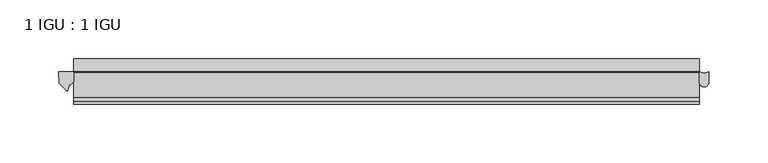
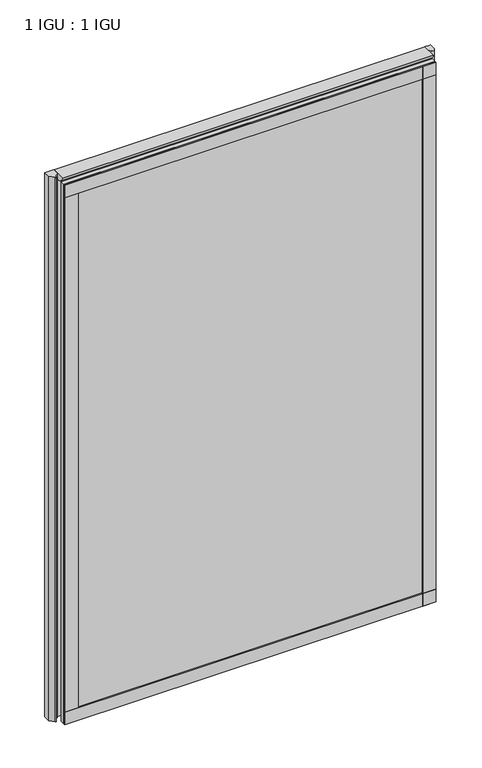
"""IFC4 building model written with IfcOpenShell, lengths in millimetres: plate geometry, 1 IGU : 1 IGU."""

import ifcopenshell
import ifcopenshell.guid

model = None  # the IFC model being written
_history = None  # IfcOwnerHistory: only IFC2X3 demands one
_inside = {}  # id of a spatial element -> (the spatial element, [elements in it])
_under = {}  # id of a project, library or spatial element -> (it, [spatial elements below it])
_declared = {}  # id of a project -> (the project, [libraries it declares])
_typed = {}  # id of a type object -> (the type object, [elements of that type])
_made_of = {}  # id of a material, layer set ... -> (it, [elements and type objects made of it])


def new_model(schema):
    """Start an empty IFC model of exactly this schema.

    Asked for "IFC4X3", IfcOpenShell would pick the latest addendum, in which some entities
    have other attributes; the version numbers below select the first issue.
    IFC2X3 requires an IfcOwnerHistory on every rooted entity: one is made here for all.
    """
    global model, _history
    if schema == "IFC4X3":
        model = ifcopenshell.file(schema_version=(4, 3, 0, 0))
    else:
        model = ifcopenshell.file(schema=schema)
    _inside.clear()
    _under.clear()
    _declared.clear()
    _typed.clear()
    _made_of.clear()
    _history = None
    if model.schema == "IFC2X3":
        org = make("IfcOrganization", Name="unknown")
        user = make(
            "IfcPersonAndOrganization",
            ThePerson=make("IfcPerson", FamilyName="unknown"),
            TheOrganization=org,
        )
        app = make(
            "IfcApplication",
            ApplicationDeveloper=org,
            Version="unknown",
            ApplicationFullName="unknown",
            ApplicationIdentifier="unknown",
        )
        _history = make(
            "IfcOwnerHistory",
            OwningUser=user,
            OwningApplication=app,
            ChangeAction="ADDED",
            CreationDate=0,
        )
    return model


def make(cls, **values):
    """One entity of the class cls with the attributes given. An attribute that is None is left unset."""
    return model.create_entity(
        cls, **{name: value for name, value in values.items() if value is not None}
    )


def rooted(cls, **values):
    """An entity with a GlobalId (a new one), such as an element, a storey or a relation."""
    return make(cls, GlobalId=ifcopenshell.guid.new(), OwnerHistory=_history, **values)


def si_unit(unit_type, name, prefix=None):
    """IfcSIUnit, for example si_unit("LENGTHUNIT", "METRE", prefix="MILLI")."""
    return make("IfcSIUnit", UnitType=unit_type, Prefix=prefix, Name=name)


def assignment(units):
    """IfcUnitAssignment: the units of a project."""
    return None if units is None else make("IfcUnitAssignment", Units=units)


def point(xyz):
    """IfcCartesianPoint."""
    return None if xyz is None else make("IfcCartesianPoint", Coordinates=xyz)


def direction(xyz):
    """IfcDirection."""
    return None if xyz is None else make("IfcDirection", DirectionRatios=xyz)


def frame(location, z_axis=None, x_axis=None):
    """IfcAxis2Placement3D, a coordinate frame: its origin and axes. An axis left out is left unset."""
    return make(
        "IfcAxis2Placement3D",
        Location=point(location),
        Axis=direction(z_axis),
        RefDirection=direction(x_axis),
    )


def frame_2d(location, x_axis=None):
    """IfcAxis2Placement2D, a coordinate frame in the plane: its origin and x axis."""
    return make(
        "IfcAxis2Placement2D", Location=point(location), RefDirection=direction(x_axis)
    )


def origin():
    """The frame at (0, 0, 0) with its axes left unset."""
    return frame((0.0, 0.0, 0.0))


def place(relative_to, where):
    """IfcLocalPlacement: puts the frame where relative to a parent placement (None: the world)."""
    return make(
        "IfcLocalPlacement", PlacementRelTo=relative_to, RelativePlacement=where
    )


def context(
    kind, dimensions, precision=None, world=None, true_north=None, identifier=None
):
    """IfcGeometricRepresentationContext, for example the 3D "Model" context."""
    return make(
        "IfcGeometricRepresentationContext",
        ContextIdentifier=identifier,
        ContextType=kind,
        CoordinateSpaceDimension=dimensions,
        Precision=precision,
        WorldCoordinateSystem=world,
        TrueNorth=true_north,
    )


def project(units=None, contexts=None):
    """IfcProject with its units and contexts."""
    return rooted(
        "IfcProject",
        Name="project",
        RepresentationContexts=contexts,
        UnitsInContext=assignment(units),
    )


def spatial(cls, under=None, at=None, **own):
    """A site, building, storey or space (cls), placed at a placement, below another one or the project."""
    s = rooted(cls, ObjectPlacement=at, **own)
    if under is not None:
        _under.setdefault(under.id(), (under, []))[1].append(s)
    return s


def polyline(points):
    """IfcPolyline through the points."""
    return make("IfcPolyline", Points=[point(p) for p in points])


def circle_curve(where, radius):
    """IfcCircle in the frame where."""
    return make("IfcCircle", Position=where, Radius=radius)


def ellipse_curve(where, semi_axis1, semi_axis2):
    """IfcEllipse in the frame where."""
    return make(
        "IfcEllipse", Position=where, SemiAxis1=semi_axis1, SemiAxis2=semi_axis2
    )


def trimmed(basis, trim1, trim2, sense, master):
    """IfcTrimmedCurve: the piece of a basis curve between two trims."""
    return make(
        "IfcTrimmedCurve",
        BasisCurve=basis,
        Trim1=trim1,
        Trim2=trim2,
        SenseAgreement=sense,
        MasterRepresentation=master,
    )


def segment(curve, same_sense, transition):
    """IfcCompositeCurveSegment."""
    return make(
        "IfcCompositeCurveSegment",
        Transition=transition,
        SameSense=same_sense,
        ParentCurve=curve,
    )


def composite_curve(segments, self_intersect=None):
    """IfcCompositeCurve: segments joined end to end."""
    return make("IfcCompositeCurve", Segments=segments, SelfIntersect=self_intersect)


def outline(outer, holes=None, kind="AREA"):
    """IfcArbitraryClosedProfileDef: a profile drawn as a closed curve; with holes, ...WithVoids."""
    if holes is None:
        return make("IfcArbitraryClosedProfileDef", ProfileType=kind, OuterCurve=outer)
    return make(
        "IfcArbitraryProfileDefWithVoids",
        ProfileType=kind,
        OuterCurve=outer,
        InnerCurves=holes,
    )


def extrude(swept, where, along, depth):
    """IfcExtrudedAreaSolid: the profile swept, set in the frame where, extruded along a direction by depth."""
    return make(
        "IfcExtrudedAreaSolid",
        SweptArea=swept,
        Position=where,
        ExtrudedDirection=direction(along),
        Depth=depth,
    )


def shape(context_of_items, identifier, shape_type, items):
    """IfcShapeRepresentation: the items that make up one representation, for example the "Body"."""
    return make(
        "IfcShapeRepresentation",
        ContextOfItems=context_of_items,
        RepresentationIdentifier=identifier,
        RepresentationType=shape_type,
        Items=items,
    )


def source(mapping_origin, context_of_items, identifier, shape_type, items):
    """IfcRepresentationMap: a shape defined once, which mapped items show again and again."""
    return make(
        "IfcRepresentationMap",
        MappingOrigin=mapping_origin,
        MappedRepresentation=shape(context_of_items, identifier, shape_type, items),
    )


def transform(
    local_origin,
    x_axis=None,
    y_axis=None,
    z_axis=None,
    scale=None,
    scale2=None,
    scale3=None,
    uniform=True,
):
    """IfcCartesianTransformationOperator3D, or its non-uniform kind. x_axis, y_axis, z_axis: its Axis1, 2, 3."""
    if uniform:
        return make(
            "IfcCartesianTransformationOperator3D",
            Axis1=direction(x_axis),
            Axis2=direction(y_axis),
            LocalOrigin=point(local_origin),
            Scale=scale,
            Axis3=direction(z_axis),
        )
    return make(
        "IfcCartesianTransformationOperator3DnonUniform",
        Axis1=direction(x_axis),
        Axis2=direction(y_axis),
        LocalOrigin=point(local_origin),
        Scale=scale,
        Axis3=direction(z_axis),
        Scale2=scale2,
        Scale3=scale3,
    )


def mapped(mapping_source, mapping_target):
    """IfcMappedItem: shows the shape of a source again, moved by a transform."""
    return make(
        "IfcMappedItem", MappingSource=mapping_source, MappingTarget=mapping_target
    )


def made_of(thing, what):
    """Note that an element or type object is made of a material, layer set ...; save() writes the relation."""
    if what is not None:
        _made_of.setdefault(what.id(), (what, []))[1].append(thing)
    return thing


def element(
    cls,
    number,
    at=None,
    inside=None,
    cuts=None,
    type_object=None,
    material=None,
    context=None,
    identifier="Body",
    shape_type=None,
    held_by="IfcProductDefinitionShape",
    body=None,
    shapes=None,
    **own,
):
    """One element of the class cls, such as IfcWall. Its Tag is "e" and its number.

    at: its placement. inside: the storey or other place that contains it. cuts: it is an
    opening in that element (IfcRelVoidsElement). A single representation is given by context,
    identifier, shape_type and body (its items); several are given by shapes. held_by: the class
    of the entity that holds the representations. save() writes the other relations.
    """
    e = rooted(cls, Tag="e%d" % number, ObjectPlacement=at, **own)
    if body is not None:
        shapes = [shape(context, identifier, shape_type, body)]
    if shapes is not None:
        e.Representation = make(held_by, Representations=shapes)
    if inside is not None:
        _inside.setdefault(inside.id(), (inside, []))[1].append(e)
    if cuts is not None:
        rooted(
            "IfcRelVoidsElement", RelatingBuildingElement=cuts, RelatedOpeningElement=e
        )
    if type_object is not None:
        _typed.setdefault(type_object.id(), (type_object, []))[1].append(e)
    return made_of(e, material)


def aggregate(whole, parts):
    """IfcRelAggregates: a whole, such as a stair, and the parts it consists of."""
    return rooted("IfcRelAggregates", RelatingObject=whole, RelatedObjects=parts)


def save(model, path):
    """Write the relations noted so far, then the file.

    IfcRelAggregates (storeys below a building ...), IfcRelContainedInSpatialStructure (elements
    in a storey), IfcRelDefinesByType, IfcRelAssociatesMaterial and IfcRelDeclares: one each for
    every whole, place, type object, material and project.
    """
    for whole, parts in _under.values():
        aggregate(whole, parts)
    for where, things in _inside.values():
        rooted(
            "IfcRelContainedInSpatialStructure",
            RelatedElements=things,
            RelatingStructure=where,
        )
    for kind, things in _typed.values():
        rooted("IfcRelDefinesByType", RelatedObjects=things, RelatingType=kind)
    for what, things in _made_of.values():
        rooted("IfcRelAssociatesMaterial", RelatedObjects=things, RelatingMaterial=what)
    for by, libraries in _declared.values():
        rooted("IfcRelDeclares", RelatingContext=by, RelatedDefinitions=libraries)
    model.write(path)


def plane_surface(at):
    """IfcPlane: the flat surface through the origin of the frame at, square to its z axis."""
    return make("IfcPlane", Position=at)


def cylinder_surface(at, radius):
    """IfcCylindricalSurface: all points at the distance radius from the z axis of the frame at."""
    return make("IfcCylindricalSurface", Position=at, Radius=radius)


def revolved_surface(curve, axis_point, axis_direction):
    """IfcSurfaceOfRevolution: the curve turned about the line through axis_point along axis_direction."""
    return make(
        "IfcSurfaceOfRevolution",
        SweptCurve=make("IfcArbitraryOpenProfileDef", ProfileType="CURVE", Curve=curve),
        AxisPosition=make("IfcAxis1Placement", Location=point(axis_point), Axis=direction(axis_direction)),
    )


def extruded_surface(curve, direction_of_extrusion, depth):
    """IfcSurfaceOfLinearExtrusion: the curve pushed along a direction by depth."""
    return make(
        "IfcSurfaceOfLinearExtrusion",
        SweptCurve=make("IfcArbitraryOpenProfileDef", ProfileType="CURVE", Curve=curve),
        ExtrudedDirection=direction(direction_of_extrusion),
        Depth=depth,
    )


def advanced_brep(points, edges, surfaces, faces):
    """IfcAdvancedBrep: a solid bounded by faces that lie on surfaces and meet in shared edges.

    An edge is (start, end): straight between two places in points (the first is 0);
    or (start, end, curve); or (start, end, curve, False) where it runs against its curve.
    A face is (place in surfaces, loops), or (place, loops, False) where it looks against
    its surface's normal. A loop lists edges by number (the first is 1), with a minus sign
    where the edge is run from its end to its start. The first loop is the outer one.
    """
    corners = [point(p) for p in points]
    vertices = [make("IfcVertexPoint", VertexGeometry=c) for c in corners]
    made = []
    for start, end, *more in edges:
        made.append(
            make(
                "IfcEdgeCurve",
                EdgeStart=vertices[start],
                EdgeEnd=vertices[end],
                EdgeGeometry=more[0] if more else make("IfcPolyline", Points=[corners[start], corners[end]]),
                SameSense=more[1] if len(more) > 1 else True,
            )
        )
    hull = []
    for where, loops, *sense in faces:
        bounds = []
        for j, loop in enumerate(loops):
            ring = [make("IfcOrientedEdge", EdgeElement=made[abs(k) - 1], Orientation=k > 0) for k in loop]
            bounds.append(
                make(
                    "IfcFaceOuterBound" if j == 0 else "IfcFaceBound",
                    Bound=make("IfcEdgeLoop", EdgeList=ring),
                    Orientation=True,
                )
            )
        hull.append(make("IfcAdvancedFace", Bounds=bounds, FaceSurface=surfaces[where], SameSense=sense[0] if sense else True))
    return make("IfcAdvancedBrep", Outer=make("IfcClosedShell", CfsFaces=hull))


def plate_1_igu_1_igu_ffd5e099(model_context):
    return source(origin(), model_context, "Body", "SolidModel", [
        extrude(outline(polyline([(266.7, -11.6085937), (266.7, -18.8576359), (-266.7, -18.8576359), (-266.7, -11.6085937), (266.7, -11.6085937)])), frame((0.0, 0.0, -19.05), z_axis=(0.0, 0.0, 1.0), x_axis=(1.0, 0.0, 0.0)), (0.0, 0.0, 1.0), 819.1500001),
        extrude(outline(polyline([(-266.7, -30.7093937), (266.7, -30.7093937), (266.7, -37.0085937), (-266.7, -37.0085937), (-266.7, -30.7093937)])), frame((0.0, 0.0, -19.05), z_axis=(0.0, 0.0, 1.0), x_axis=(1.0, 0.0, 0.0)), (0.0, 0.0, 1.0), 819.1500001),
        extrude(outline(composite_curve([segment(polyline([(-266.7, -11.610702), (-266.7, -20.1014769)]), True, "CONTINUOUS"), segment(trimmed(circle_curve(frame_2d((-272.9811943, -16.3829847)), 7.2993552), [point((-266.7, -20.1014769))], [point((-270.7989498, -23.3484994))], False, "CARTESIAN"), True, "CONTINUOUS"), segment(polyline([(-270.7989498, -23.3484994), (-272.0604364, -27.4746364)]), True, "CONTINUOUS"), segment(trimmed(circle_curve(frame_2d((-272.7891407, -27.2518492)), 0.762), [point((-272.0604364, -27.4746364))], [point((-273.4619467, -27.6095865))], False, "CARTESIAN"), True, "CONTINUOUS"), segment(polyline([(-273.4619467, -27.6095865), (-279.4, -21.3502133), (-279.7779091, -11.610702), (-266.7, -11.610702)]), True, "CONTINUOUS")], self_intersect=False)), frame((0.0, 0.0, -19.05), z_axis=(0.0, 0.0, 1.0), x_axis=(1.0, 0.0, 0.0)), (0.0, 0.0, 1.0), 826.2874001),
        extrude(outline(composite_curve([segment(trimmed(circle_curve(frame_2d((270.7937298, -20.4985938)), 4.0937298), [point((274.8874596, -20.4985937))], [point((266.7, -20.4985938))], False, "CARTESIAN"), True, "CONTINUOUS"), segment(polyline([(266.7, -20.4985938), (266.7, -11.6085938)]), True, "CONTINUOUS"), segment(trimmed(circle_curve(frame_2d((270.7937298, -4.9389529)), 7.8257736), [point((266.7, -11.6085938))], [point((274.8874596, -11.6085938))], True, "CARTESIAN"), True, "CONTINUOUS"), segment(polyline([(274.8874596, -11.6085938), (274.8874596, -20.4985937)]), True, "CONTINUOUS")], self_intersect=False)), frame((0.0, 0.0, -19.05), z_axis=(0.0, 0.0, 1.0), x_axis=(1.0, 0.0, 0.0)), (0.0, 0.0, 1.0), 826.2874001),
        extrude(outline(polyline([(-11.6085937, -15.24), (-11.6085937, 2.8161565), (-0.5298609, 1.2591422), (-0.5298609, -0.6645794), (-5.258589, 0.0), (-5.258589, -4.826), (-1.575589, -4.826), (-1.575589, -7.874), (-5.258589, -7.874), (-5.258589, -13.208), (-3.099589, -13.208), (-3.099589, -15.24), (-11.6085937, -15.24)])), frame((-266.7, 0.0, 0.0), z_axis=(1.0, 0.0, 0.0), x_axis=(0.0, 1.0, 0.0)), (0.0, 0.0, 1.0), 533.4),
        extrude(outline(polyline([(-266.7, -39.2945937), (-266.7, -37.0085937), (266.7, -37.0085937), (266.7, -39.2945937), (-266.7, -39.2945937)])), frame((0.0, 0.0, -19.05), z_axis=(0.0, 0.0, 1.0), x_axis=(1.0, 0.0, 0.0)), (0.0, 0.0, 1.0), 19.05),
        advanced_brep(
        [(-266.7, -24.3085937, 798.9276629), (-266.7, -33.4116395, 807.2374001), (-266.7, -12.7165288, 807.2374001), (-266.7, -11.6085937, 800.1000001), (-266.7, -17.9077937, 800.1000001), (266.7, -24.3085937, 798.9276629), (266.7, -17.9077937, 800.1000001), (266.7, -11.6085937, 800.1000001), (266.7, -12.7165288, 807.2374001), (266.7, -33.4116395, 807.2374001)],
        [
            (0, 1, ellipse_curve(frame((-266.7, -24.3085937, 809.6250001), z_axis=(-1.0, 0.0, 0.0), x_axis=(0.0, 0.0, -1.0)), 10.6973372, 9.3386252)),
            (1, 2),
            (2, 3, circle_curve(frame((-266.7, 26.2083666, 809.6250001), z_axis=(1.0, 0.0, 0.0), x_axis=(0.0, 0.0, -1.0)), 38.9980527)),
            (3, 4),
            (4, 0, circle_curve(frame((-266.7, -24.3085937, 816.9875764), z_axis=(-1.0, 0.0, 0.0), x_axis=(0.0, 0.0, -1.0)), 18.0599135)),
            (5, 6, circle_curve(frame((266.7, -24.3085937, 816.9875764), z_axis=(1.0, 0.0, 0.0), x_axis=(0.0, 0.0, -1.0)), 18.0599135)),
            (6, 7),
            (7, 8, circle_curve(frame((266.7, 26.2083666, 809.6250001), z_axis=(-1.0, 0.0, 0.0), x_axis=(0.0, 0.0, -1.0)), 38.9980527)),
            (8, 9),
            (9, 5, ellipse_curve(frame((266.7, -24.3085937, 809.6250001), z_axis=(1.0, 0.0, 0.0), x_axis=(0.0, 0.0, -1.0)), 10.6973372, 9.3386252)),
            (0, 5),
            (9, 1),
            (8, 2),
            (7, 3),
            (6, 4),
        ],
        [
            plane_surface(frame((-266.7, -9.2273437, 809.6250001), z_axis=(-1.0, 0.0, 0.0), x_axis=(0.0, 1.0, 0.0))),
            plane_surface(frame((266.7, -9.2273438, 809.6250001), z_axis=(1.0, 0.0, 0.0), x_axis=(0.0, 1.0, 0.0))),
            extruded_surface(trimmed(ellipse_curve(frame((266.7, -24.3085937, 809.6250001), z_axis=(-1.0, 0.0, 0.0), x_axis=(0.0, 0.0, -1.0)), 10.6973372, 9.3386252), [point((266.7, -24.3085937, 798.9276629))], [point((266.7, -33.4116395, 807.2374001))], True, "CARTESIAN"), (-533.4, 0.0, 0.0), 533.4),
            plane_surface(frame((-266.7, -33.4116395, 807.2374001), z_axis=(0.0, 0.0, 1.0), x_axis=(1.0, 0.0, 0.0))),
            revolved_surface(polyline([(266.7, 26.2083666, 770.6269474), (-266.7, 26.2083666, 770.6269474)]), (-266.7, 26.2083666, 809.6250001), (1.0, 0.0, 0.0)),
            plane_surface(frame((-266.7, -11.6085937, 800.1000001), z_axis=(0.0, 0.0, -1.0), x_axis=(1.0, 0.0, 0.0))),
            cylinder_surface(frame((-266.7, -24.3085937, 816.9875764), z_axis=(-1.0, 0.0, 0.0), x_axis=(0.0, 0.0, -1.0)), 18.0599135),
        ],
        [
            (0, [[1, 2, 3, 4, 5]]),
            (1, [[6, 7, 8, 9, 10]]),
            (2, [[-1, 11, -10, 12]]),
            (3, [[-2, -12, -9, 13]]),
            (4, [[-3, -13, -8, 14]]),
            (5, [[-4, -14, -7, 15]]),
            (6, [[-5, -15, -6, -11]]),
        ],
    ),
        extrude(outline(polyline([(-266.7, -39.2945937), (-266.7, -37.0085937), (266.7, -37.0085937), (266.7, -39.2945937), (-266.7, -39.2945937)])), frame((0.0, 0.0, 781.0500001), z_axis=(0.0, 0.0, 1.0), x_axis=(1.0, 0.0, 0.0)), (0.0, 0.0, 1.0), 19.05),
        extrude(outline(polyline([(247.65, -37.0085937), (266.7, -37.0085937), (266.7, -39.2945938), (247.65, -39.2945938), (247.65, -37.0085937)])), frame((0.0, 0.0, -19.05), z_axis=(0.0, 0.0, 1.0), x_axis=(1.0, 0.0, 0.0)), (0.0, 0.0, 1.0), 819.1500001),
        extrude(outline(polyline([(-266.7, -39.2945937), (-266.7, -37.0085937), (-247.65, -37.0085937), (-247.65, -39.2945937), (-266.7, -39.2945937)])), frame((0.0, 0.0, -19.05), z_axis=(0.0, 0.0, 1.0), x_axis=(1.0, 0.0, 0.0)), (0.0, 0.0, 1.0), 819.1500001),
    ])


if __name__ == "__main__":
    model = new_model("IFC4")
    model_context = context("Model", 3, world=origin())
    ifc_project = project(units=[si_unit("LENGTHUNIT", "METRE", prefix="MILLI")], contexts=[model_context])
    site = spatial("IfcSite", under=ifc_project)
    building = spatial("IfcBuilding", under=site)
    placement = place(None, origin())
    plate_1_igu_1_igu_shape = plate_1_igu_1_igu_ffd5e099(model_context)
    element("IfcPlate", 1, ObjectType="1 IGU : 1 IGU", at=placement, inside=building, context=model_context, shape_type="MappedRepresentation", body=[
        mapped(plate_1_igu_1_igu_shape, transform((0.0, 0.0, 0.0), x_axis=(1.0, 0.0, 0.0), y_axis=(0.0, 1.0, 0.0), z_axis=(0.0, 0.0, 1.0))),
    ])
    save(model, "model.ifc")
